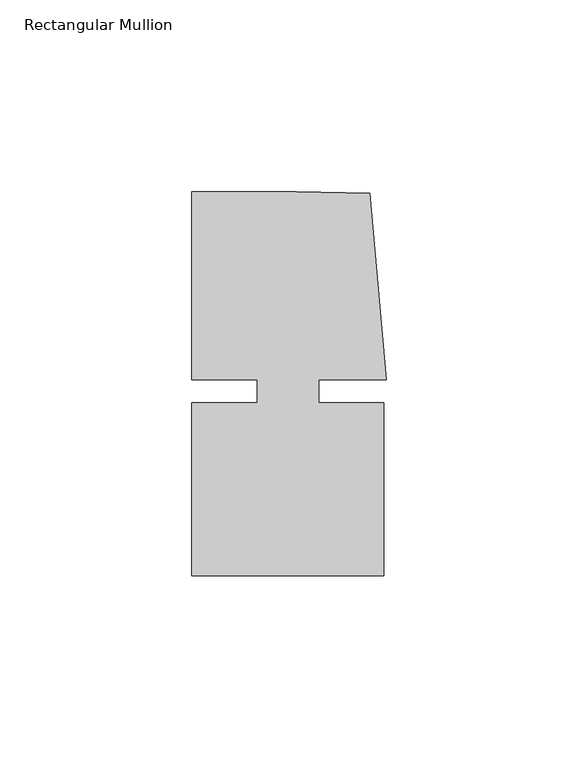
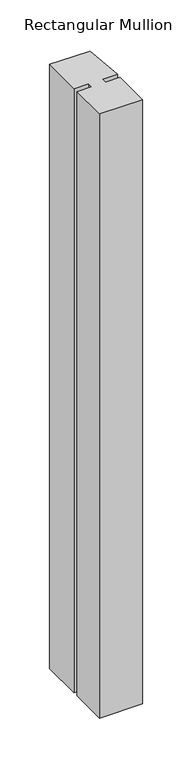
"""IFC4 building model written with IfcOpenShell, lengths in millimetres: member geometry, Rectangular Mullion."""

from ifc_helpers import new_model, si_unit, frame, origin, place, context, project, spatial, polyline, outline, extrude, source, transform, mapped, element, save


def rectangular_mullion_61e7ba1e(model_context):
    return source(origin(), model_context, "Body", "SweptSolid", [
        extrude(outline(polyline([(8.0004917, -3.0000287), (25.00003, -3.0000271), (25.0000344, -48.0000271), (-24.9999656, -48.000032), (-24.99997, -3.000032), (-8.0004317, -3.0000303), (-8.0004323, 2.999987), (-24.9999706, 2.9999853), (-24.9999754, 51.999968), (2.2554581, 51.9999707), (21.3623265, 51.5846059), (25.6129344, 2.9999903), (8.0004911, 2.9999885), (8.0004917, -3.0000287)])), frame((0.0, 0.0, -739.9999703), z_axis=(0.0, 0.0, 1.0), x_axis=(1.0, 0.0, 0.0)), (0.0, 0.0, 1.0), 739.9999703),
    ])


if __name__ == "__main__":
    model = new_model("IFC4")
    model_context = context("Model", 3, world=origin())
    ifc_project = project(units=[si_unit("LENGTHUNIT", "METRE", prefix="MILLI")], contexts=[model_context])
    site = spatial("IfcSite", under=ifc_project)
    building = spatial("IfcBuilding", under=site)
    placement = place(None, origin())
    rectangular_mullion_shape = rectangular_mullion_61e7ba1e(model_context)
    element("IfcMember", 1, ObjectType="Rectangular Mullion", at=placement, inside=building, context=model_context, shape_type="MappedRepresentation", body=[
        mapped(rectangular_mullion_shape, transform((0.0, 0.0, 0.0), x_axis=(1.0, 0.0, 0.0), y_axis=(0.0, 1.0, 0.0), z_axis=(0.0, 0.0, 1.0))),
    ])
    save(model, "model.ifc")
